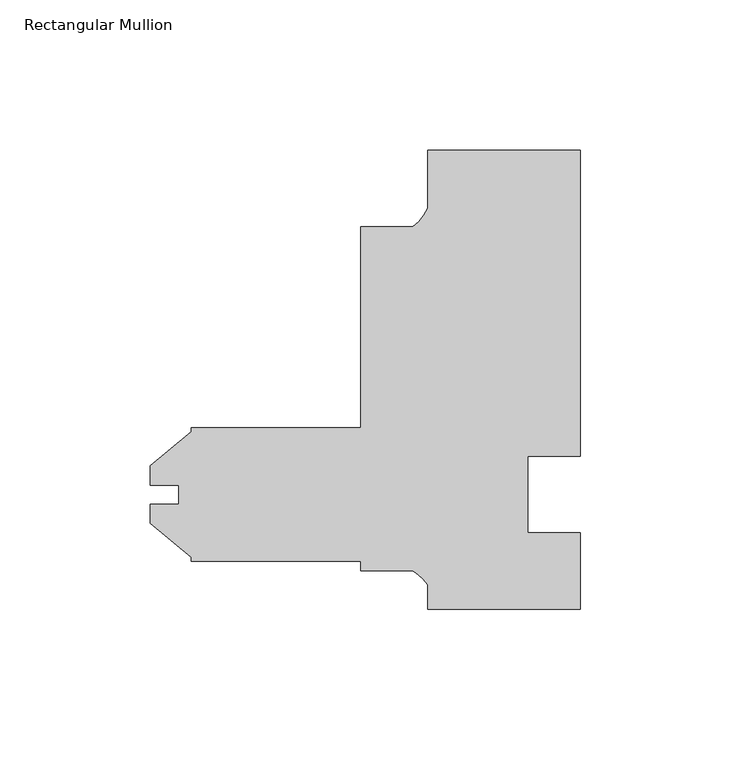
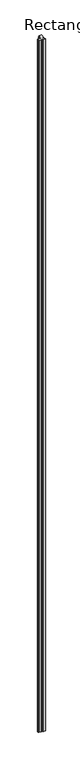
"""IFC4 building model written with IfcOpenShell, lengths in millimetres: member geometry, Rectangular Mullion."""

from ifc_helpers import new_model, si_unit, point, frame, frame_2d, origin, place, context, project, spatial, polyline, circle_curve, trimmed, segment, composite_curve, outline, extrude, source, transform, mapped, element, save


def rectangular_mullion_1b776099(model_context):
    return source(origin(), model_context, "Body", "SweptSolid", [
        extrude(outline(composite_curve([segment(polyline([(25.4, 152.4), (25.4, 50.8), (7.9502, 50.8), (7.9502, 25.4), (25.4, 25.4), (25.3999898, 0.0), (-25.4000102, 0.0), (-25.4000102, 8.1515407)]), True, "CONTINUOUS"), segment(trimmed(circle_curve(frame_2d((-37.3094465, 0.1243368)), 14.3621265), [point((-25.4000102, 8.1515407))], [point((-30.3723453, 12.7))], True, "CARTESIAN"), True, "CONTINUOUS"), segment(polyline([(-30.3723453, 12.7), (-47.625, 12.7), (-47.625, 15.875), (-103.98125, 15.875), (-103.98125, 17.2691667), (-117.44325, 28.565126), (-117.44325, 34.9353979), (-108.0476459, 34.9353979), (-108.0476459, 41.2595221), (-117.44325, 41.2595221), (-117.44325, 47.629794), (-103.98125, 58.9257533), (-103.98125, 60.325), (-47.625, 60.325), (-47.625, 127.0), (-30.2934851, 127.0)]), True, "CONTINUOUS"), segment(trimmed(circle_curve(frame_2d((-39.5144624, 139.281361)), 15.3576772), [point((-30.2934851, 127.0))], [point((-25.4, 133.228246))], True, "CARTESIAN"), True, "CONTINUOUS"), segment(polyline([(-25.4, 133.228246), (-25.4, 152.4), (25.4, 152.4)]), True, "CONTINUOUS")], self_intersect=False)), frame((0.0, 0.0, -15837.0064664), z_axis=(0.0, 0.0, 1.0), x_axis=(1.0, 0.0, 0.0)), (0.0, 0.0, 1.0), 15837.0064664),
    ])


if __name__ == "__main__":
    model = new_model("IFC4")
    model_context = context("Model", 3, world=origin())
    ifc_project = project(units=[si_unit("LENGTHUNIT", "METRE", prefix="MILLI")], contexts=[model_context])
    site = spatial("IfcSite", under=ifc_project)
    building = spatial("IfcBuilding", under=site)
    placement = place(None, origin())
    rectangular_mullion_shape = rectangular_mullion_1b776099(model_context)
    element("IfcMember", 1, ObjectType="Rectangular Mullion", at=placement, inside=building, context=model_context, shape_type="MappedRepresentation", body=[
        mapped(rectangular_mullion_shape, transform((0.0, 0.0, 0.0), x_axis=(1.0, 0.0, 0.0), y_axis=(0.0, 1.0, 0.0), z_axis=(0.0, 0.0, 1.0))),
    ])
    save(model, "model.ifc")
